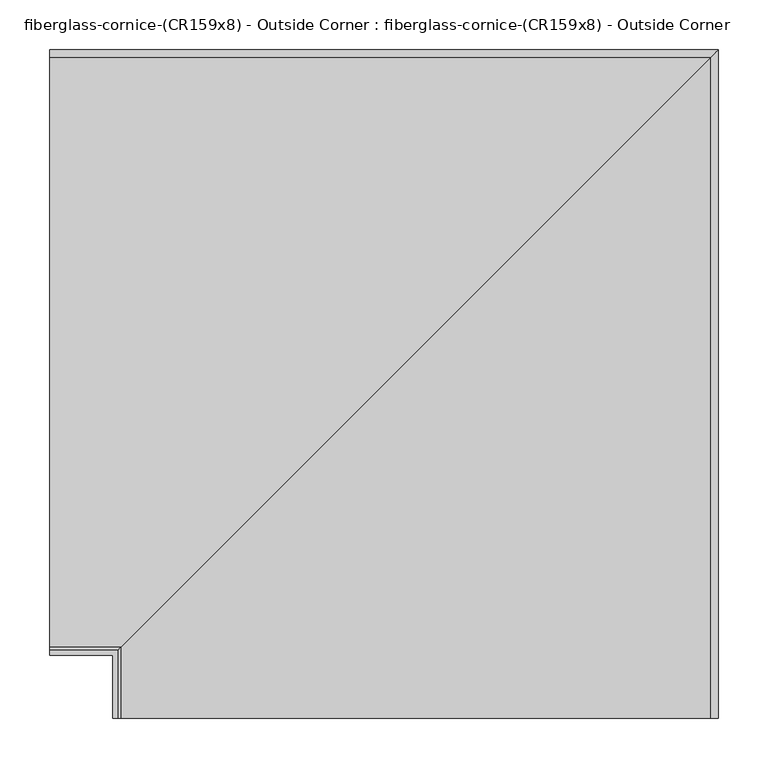
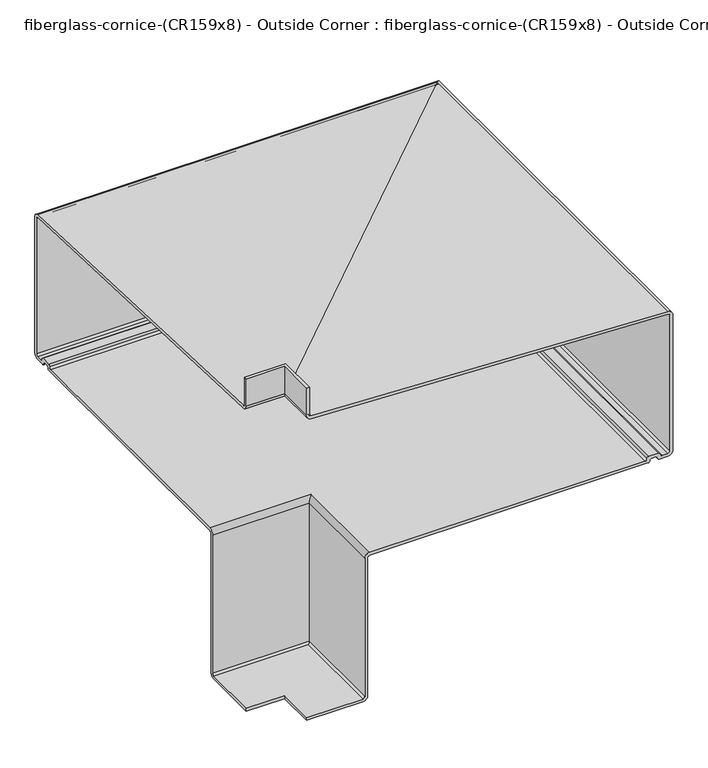
"""IFC4 building model written with IfcOpenShell, lengths in millimetres: furniture geometry, fiberglass-cornice-(CR159x8) - Outside Corner : fiberglass-cornice-(CR159x8) - Outside Corner."""

from ifc_helpers import new_model, si_unit, frame, origin, place, context, project, spatial, polyline, circle_curve, ellipse_curve, source, transform, mapped, element, save
from ifc_brep_helpers import plane_surface, cylinder_surface, revolved_surface, advanced_brep


def fiberglass_cornice_cr159x8_outside_corner_fiberglass_cornice_79ef5214(model_context):
    return source(origin(), model_context, "Body", "AdvancedBrep", [
        advanced_brep(
        [(-196.9488213, 106.3625, 330.1999904), (-196.9488213, 106.3625, 282.1175916), (-196.9488213, 109.405323, 279.0747686), (-196.9488213, 703.2553134, 254.331019), (-196.9488213, 711.2, 246.3863324), (-196.9488213, 711.2, 7.8336525), (-196.9488213, 703.2625, -0.1038475), (-196.9488213, 689.1705146, -0.1038475), (-196.9488213, 685.9955146, 3.0711535), (-196.9488213, 682.7914264, 6.2752427), (-196.9488213, 676.2973764, 6.2752427), (-196.9488213, 673.1223764, 3.0711543), (-196.9488213, 669.9473764, -0.1038451), (-196.9488213, 206.4982609, -0.1038475), (-196.9488213, 203.323261, -3.2788474), (-196.9488213, 203.323261, -246.1065844), (-196.9488213, 195.385761, -254.0440844), (-196.9488213, 101.6, -254.0440844), (-196.9488213, 101.6, -249.2815844), (-196.9488213, 195.385761, -249.2815844), (-196.9488213, 198.560761, -246.1065844), (-196.9488213, 198.560761, -3.2788451), (-196.9488213, 206.4982609, 4.6586549), (-196.9488213, 665.1848764, 4.6586549), (-196.9488213, 668.3598764, 7.8336543), (-196.9488213, 671.5348764, 11.0377427), (-196.9488213, 687.5539257, 11.0377427), (-196.9488213, 690.7580146, 7.8336539), (-196.9488213, 693.9330146, 4.6586538), (-196.9488213, 703.2625013, 4.6586538), (-196.9488213, 706.4375, 7.8336525), (-196.9488213, 706.4375, 246.3863324), (-196.9488213, 703.2596253, 249.564207), (-196.9488213, 109.2070576, 274.3163974), (-196.9488213, 101.6, 281.9234549), (-196.9488213, 101.6, 330.1999904), (-128.5871026, 38.0007813, 330.1999904), (-133.3496026, 38.0007813, 330.1999904), (-133.3496026, 38.0007813, 281.9234549), (-125.742545, 38.0007813, 274.3163974), (468.3100227, 38.0007813, 249.564207), (471.4878974, 38.0007813, 246.3863324), (471.4878974, 38.0007813, 7.8336525), (468.3128987, 38.0007813, 4.6586538), (458.983412, 38.0007813, 4.6586538), (455.808412, 38.0007813, 7.8336539), (452.6043231, 38.0007813, 11.0377427), (436.5852738, 38.0007813, 11.0377427), (433.4102738, 38.0007813, 7.8336543), (430.2352738, 38.0007813, 4.6586549), (-28.4513417, 38.0007813, 4.6586549), (-36.3888416, 38.0007813, -3.2788451), (-36.3888416, 38.0007813, -246.1065844), (-39.5638416, 38.0007813, -249.2815844), (-133.3496026, 38.0007813, -249.2815844), (-133.3496026, 38.0007813, -254.0440844), (-39.5638416, 38.0007813, -254.0440844), (-31.6263416, 38.0007813, -246.1065844), (-31.6263416, 38.0007813, -3.2788474), (-28.4513417, 38.0007813, -0.1038475), (434.9977738, 38.0007813, -0.1038475), (438.1727738, 38.0007813, 3.0711543), (441.3477738, 38.0007813, 6.2752427), (447.8418238, 38.0007813, 6.2752427), (451.045912, 38.0007813, 3.0711535), (454.220912, 38.0007813, -0.1038475), (468.3128974, 38.0007813, -0.1038475), (476.2503974, 38.0007813, 7.8336525), (476.2503974, 38.0007813, 246.3863324), (468.3057108, 38.0007813, 254.331019), (-125.5442796, 38.0007813, 279.0747686), (-128.5871026, 38.0007813, 282.1175916), (-128.5871026, 106.3625, 330.1999904), (-128.5871026, 106.3625, 282.1175916), (-125.5442796, 109.405323, 279.0747686), (468.3057108, 703.2553134, 254.331019), (476.2503974, 711.2, 246.3863324), (476.2503974, 711.2, 7.8336525), (468.3128974, 703.2625, -0.1038475), (454.220912, 689.1705146, -0.1038475), (451.045912, 685.9955146, 3.0711535), (447.8418238, 682.7914264, 6.2752427), (441.3477738, 676.2973764, 6.2752427), (438.1727738, 673.1223764, 3.0711543), (434.9977738, 669.9473764, -0.1038451), (-28.4513417, 206.4982609, -0.1038475), (-31.6263416, 203.323261, -3.2788474), (-31.6263416, 203.323261, -246.1065844), (-39.5638416, 195.385761, -254.0440844), (-133.3496026, 101.6, -254.0440844), (-133.3496026, 101.6, -249.2815844), (-39.5638416, 195.385761, -249.2815844), (-36.3888416, 198.560761, -246.1065844), (-36.3888416, 198.560761, -3.2788451), (-28.4513417, 206.4982609, 4.6586549), (430.2352738, 665.1848764, 4.6586549), (433.4102738, 668.3598764, 7.8336543), (436.5852738, 671.5348764, 11.0377427), (452.6043231, 687.5539257, 11.0377427), (455.808412, 690.7580146, 7.8336539), (458.983412, 693.9330146, 4.6586538), (468.3128987, 703.2625013, 4.6586538), (471.4878974, 706.4375, 7.8336525), (471.4878974, 706.4375, 246.3863324), (468.3100227, 703.2596253, 249.564207), (-125.742545, 109.2070576, 274.3163974), (-133.3496026, 101.6, 281.9234549), (-133.3496026, 101.6, 330.1999904)],
        [
            (0, 1),
            (1, 2, circle_curve(frame((-196.9488213, 109.405323, 282.1175916), z_axis=(1.0, 0.0, 0.0), x_axis=(0.0, 1.0, 0.0)), 3.042823)),
            (2, 3),
            (3, 4, circle_curve(frame((-196.9488213, 703.2553134, 246.3863324), z_axis=(-1.0, 0.0, 0.0), x_axis=(0.0, 1.0, 0.0)), 7.9446866)),
            (4, 5),
            (5, 6, circle_curve(frame((-196.9488213, 703.2625, 7.8336525), z_axis=(-1.0, 0.0, 0.0), x_axis=(0.0, 1.0, 0.0)), 7.9375)),
            (6, 7),
            (7, 8, circle_curve(frame((-196.9488213, 689.1705146, 3.0711525), z_axis=(-1.0, 0.0, 0.0), x_axis=(0.0, 1.0, 0.0)), 3.175)),
            (8, 9, circle_curve(frame((-196.9488213, 682.7914264, 3.0711545), z_axis=(1.0, 0.0, 0.0), x_axis=(0.0, 1.0, 0.0)), 3.2040882)),
            (9, 10),
            (10, 11, circle_curve(frame((-196.9488213, 676.2973764, 3.1001106), z_axis=(1.0, 0.0, 0.0), x_axis=(0.0, 1.0, 0.0)), 3.175132)),
            (11, 12, circle_curve(frame((-196.9488213, 669.9473764, 3.0711549), z_axis=(-1.0, 0.0, 0.0), x_axis=(0.0, 1.0, 0.0)), 3.175)),
            (12, 13),
            (13, 14, circle_curve(frame((-196.9488213, 206.4982609, -3.2788474), z_axis=(1.0, 0.0, 0.0), x_axis=(0.0, 1.0, 0.0)), 3.175)),
            (14, 15),
            (15, 16, circle_curve(frame((-196.9488213, 195.385761, -246.1065844), z_axis=(-1.0, 0.0, 0.0), x_axis=(0.0, 1.0, 0.0)), 7.9375)),
            (16, 17),
            (17, 18),
            (18, 19),
            (19, 20, circle_curve(frame((-196.9488213, 195.385761, -246.1065844), z_axis=(1.0, 0.0, 0.0), x_axis=(0.0, 1.0, 0.0)), 3.175)),
            (20, 21),
            (21, 22, circle_curve(frame((-196.9488213, 206.4982609, -3.2788451), z_axis=(-1.0, 0.0, 0.0), x_axis=(0.0, 1.0, 0.0)), 7.9374999)),
            (22, 23),
            (23, 24, circle_curve(frame((-196.9488213, 665.1848764, 7.8336549), z_axis=(1.0, 0.0, 0.0), x_axis=(0.0, 1.0, 0.0)), 3.175)),
            (24, 25, circle_curve(frame((-196.9488213, 671.5348764, 7.8626107), z_axis=(-1.0, 0.0, 0.0), x_axis=(0.0, 1.0, 0.0)), 3.175132)),
            (25, 26),
            (26, 27, circle_curve(frame((-196.9488213, 687.5539257, 7.8336539), z_axis=(-1.0, 0.0, 0.0), x_axis=(0.0, 1.0, 0.0)), 3.2040888)),
            (27, 28, circle_curve(frame((-196.9488213, 693.9330146, 7.8336538), z_axis=(1.0, 0.0, 0.0), x_axis=(0.0, 1.0, 0.0)), 3.175)),
            (28, 29),
            (29, 30, circle_curve(frame((-196.9488213, 703.2625013, 7.8336525), z_axis=(1.0, 0.0, 0.0), x_axis=(0.0, 1.0, 0.0)), 3.1749987)),
            (30, 31),
            (31, 32, circle_curve(frame((-196.9488213, 703.2596253, 246.3863324), z_axis=(1.0, 0.0, 0.0), x_axis=(0.0, 1.0, 0.0)), 3.1778747)),
            (32, 33),
            (33, 34, circle_curve(frame((-196.9488213, 109.2070576, 281.9234549), z_axis=(-1.0, 0.0, 0.0), x_axis=(0.0, 1.0, 0.0)), 7.6070576)),
            (34, 35),
            (35, 0),
            (36, 37),
            (37, 38),
            (38, 39, circle_curve(frame((-125.742545, 38.0007813, 281.9234549), z_axis=(0.0, -1.0, 0.0), x_axis=(1.0, 0.0, 0.0)), 7.6070576)),
            (39, 40),
            (40, 41, circle_curve(frame((468.3100227, 38.0007813, 246.3863324), z_axis=(0.0, 1.0, 0.0), x_axis=(1.0, 0.0, 0.0)), 3.1778747)),
            (41, 42),
            (42, 43, circle_curve(frame((468.3128987, 38.0007813, 7.8336525), z_axis=(0.0, 1.0, 0.0), x_axis=(1.0, 0.0, 0.0)), 3.1749987)),
            (43, 44),
            (44, 45, circle_curve(frame((458.983412, 38.0007813, 7.8336538), z_axis=(0.0, 1.0, 0.0), x_axis=(1.0, 0.0, 0.0)), 3.175)),
            (45, 46, circle_curve(frame((452.6043231, 38.0007813, 7.8336539), z_axis=(0.0, -1.0, 0.0), x_axis=(1.0, 0.0, 0.0)), 3.2040888)),
            (46, 47),
            (47, 48, circle_curve(frame((436.5852738, 38.0007813, 7.8626107), z_axis=(0.0, -1.0, 0.0), x_axis=(1.0, 0.0, 0.0)), 3.175132)),
            (48, 49, circle_curve(frame((430.2352738, 38.0007813, 7.8336549), z_axis=(0.0, 1.0, 0.0), x_axis=(1.0, 0.0, 0.0)), 3.175)),
            (49, 50),
            (50, 51, circle_curve(frame((-28.4513417, 38.0007813, -3.2788451), z_axis=(0.0, -1.0, 0.0), x_axis=(1.0, 0.0, 0.0)), 7.9374999)),
            (51, 52),
            (52, 53, circle_curve(frame((-39.5638416, 38.0007813, -246.1065844), z_axis=(0.0, 1.0, 0.0), x_axis=(1.0, 0.0, 0.0)), 3.175)),
            (53, 54),
            (54, 55),
            (55, 56),
            (56, 57, circle_curve(frame((-39.5638416, 38.0007813, -246.1065844), z_axis=(0.0, -1.0, 0.0), x_axis=(1.0, 0.0, 0.0)), 7.9375)),
            (57, 58),
            (58, 59, circle_curve(frame((-28.4513417, 38.0007813, -3.2788474), z_axis=(0.0, 1.0, 0.0), x_axis=(1.0, 0.0, 0.0)), 3.175)),
            (59, 60),
            (60, 61, circle_curve(frame((434.9977738, 38.0007813, 3.0711549), z_axis=(0.0, -1.0, 0.0), x_axis=(1.0, 0.0, 0.0)), 3.175)),
            (61, 62, circle_curve(frame((441.3477738, 38.0007813, 3.1001106), z_axis=(0.0, 1.0, 0.0), x_axis=(1.0, 0.0, 0.0)), 3.175132)),
            (62, 63),
            (63, 64, circle_curve(frame((447.8418238, 38.0007813, 3.0711545), z_axis=(0.0, 1.0, 0.0), x_axis=(1.0, 0.0, 0.0)), 3.2040882)),
            (64, 65, circle_curve(frame((454.220912, 38.0007813, 3.0711525), z_axis=(0.0, -1.0, 0.0), x_axis=(1.0, 0.0, 0.0)), 3.175)),
            (65, 66),
            (66, 67, circle_curve(frame((468.3128974, 38.0007813, 7.8336525), z_axis=(0.0, -1.0, 0.0), x_axis=(1.0, 0.0, 0.0)), 7.9375)),
            (67, 68),
            (68, 69, circle_curve(frame((468.3057108, 38.0007813, 246.3863324), z_axis=(0.0, -1.0, 0.0), x_axis=(1.0, 0.0, 0.0)), 7.9446866)),
            (69, 70),
            (70, 71, circle_curve(frame((-125.5442796, 38.0007813, 282.1175916), z_axis=(0.0, 1.0, 0.0), x_axis=(1.0, 0.0, 0.0)), 3.042823)),
            (71, 36),
            (0, 72),
            (72, 73),
            (73, 1),
            (73, 74, ellipse_curve(frame((-125.5442796, 109.405323, 282.1175916), z_axis=(0.7071067811865563, -0.7071067811865387, 0.0), x_axis=(0.7071067811865387, 0.7071067811865565, 0.0)), 4.3032016, 3.042823)),
            (74, 2),
            (74, 75),
            (75, 3),
            (75, 76, ellipse_curve(frame((468.3057108, 703.2553134, 246.3863324), z_axis=(-0.7071067811865563, 0.7071067811865387, 0.0), x_axis=(-0.7071067811865387, -0.7071067811865565, 0.0)), 11.2354836, 7.9446866)),
            (76, 4),
            (76, 77),
            (77, 5),
            (77, 78, ellipse_curve(frame((468.3128974, 703.2625, 7.8336525), z_axis=(-0.7071067811865563, 0.7071067811865387, 0.0), x_axis=(-0.7071067811865387, -0.7071067811865565, 0.0)), 11.2253202, 7.9375)),
            (78, 6),
            (78, 66),
            (65, 79),
            (79, 7),
            (79, 80, ellipse_curve(frame((454.220912, 689.1705146, 3.0711525), z_axis=(-0.7071067811865563, 0.7071067811865387, 0.0), x_axis=(-0.7071067811865387, -0.7071067811865565, 0.0)), 4.4901281, 3.175)),
            (80, 8),
            (80, 81, ellipse_curve(frame((447.8418238, 682.7914264, 3.0711545), z_axis=(0.7071067811865563, -0.7071067811865387, 0.0), x_axis=(0.7071067811865387, 0.7071067811865565, 0.0)), 4.531265, 3.2040882)),
            (81, 9),
            (81, 63),
            (62, 82),
            (82, 10),
            (82, 83, ellipse_curve(frame((441.3477738, 676.2973764, 3.1001106), z_axis=(0.7071067811865563, -0.7071067811865387, 0.0), x_axis=(0.7071067811865387, 0.7071067811865565, 0.0)), 4.4903148, 3.175132)),
            (83, 11),
            (83, 84, ellipse_curve(frame((434.9977738, 669.9473764, 3.0711549), z_axis=(-0.7071067811865563, 0.7071067811865387, 0.0), x_axis=(-0.7071067811865387, -0.7071067811865565, 0.0)), 4.4901281, 3.175)),
            (84, 12),
            (84, 60),
            (59, 85),
            (85, 13),
            (85, 86, ellipse_curve(frame((-28.4513417, 206.4982609, -3.2788474), z_axis=(0.7071067811865563, -0.7071067811865387, 0.0), x_axis=(0.7071067811865387, 0.7071067811865565, 0.0)), 4.490128, 3.175)),
            (86, 14),
            (86, 87),
            (87, 15),
            (87, 88, ellipse_curve(frame((-39.5638416, 195.385761, -246.1065844), z_axis=(-0.7071067811865563, 0.7071067811865387, 0.0), x_axis=(-0.7071067811865387, -0.7071067811865565, 0.0)), 11.2253202, 7.9375)),
            (88, 16),
            (88, 56),
            (55, 89),
            (89, 17),
            (89, 90),
            (90, 18),
            (90, 54),
            (53, 91),
            (91, 19),
            (91, 92, ellipse_curve(frame((-39.5638416, 195.385761, -246.1065844), z_axis=(0.7071067811865563, -0.7071067811865387, 0.0), x_axis=(0.7071067811865387, 0.7071067811865565, 0.0)), 4.4901281, 3.175)),
            (92, 20),
            (92, 93),
            (93, 21),
            (93, 94, ellipse_curve(frame((-28.4513417, 206.4982609, -3.2788451), z_axis=(-0.7071067811865563, 0.7071067811865387, 0.0), x_axis=(-0.7071067811865387, -0.7071067811865565, 0.0)), 11.2253201, 7.9374999)),
            (94, 22),
            (94, 50),
            (49, 95),
            (95, 23),
            (95, 96, ellipse_curve(frame((430.2352738, 665.1848764, 7.8336549), z_axis=(0.7071067811865563, -0.7071067811865387, 0.0), x_axis=(0.7071067811865387, 0.7071067811865565, 0.0)), 4.4901281, 3.175)),
            (96, 24),
            (96, 97, ellipse_curve(frame((436.5852738, 671.5348764, 7.8626107), z_axis=(-0.7071067811865563, 0.7071067811865387, 0.0), x_axis=(-0.7071067811865387, -0.7071067811865565, 0.0)), 4.4903148, 3.175132)),
            (97, 25),
            (97, 47),
            (46, 98),
            (98, 26),
            (98, 99, ellipse_curve(frame((452.6043231, 687.5539257, 7.8336539), z_axis=(-0.7071067811865563, 0.7071067811865387, 0.0), x_axis=(-0.7071067811865387, -0.7071067811865565, 0.0)), 4.5312659, 3.2040888)),
            (99, 27),
            (99, 100, ellipse_curve(frame((458.983412, 693.9330146, 7.8336538), z_axis=(0.7071067811865563, -0.7071067811865387, 0.0), x_axis=(0.7071067811865387, 0.7071067811865565, 0.0)), 4.4901281, 3.175)),
            (100, 28),
            (100, 44),
            (43, 101),
            (101, 29),
            (101, 102, ellipse_curve(frame((468.3128987, 703.2625013, 7.8336525), z_axis=(0.7071067811865563, -0.7071067811865387, 0.0), x_axis=(0.7071067811865387, 0.7071067811865565, 0.0)), 4.4901262, 3.1749987)),
            (102, 30),
            (102, 103),
            (103, 31),
            (103, 104, ellipse_curve(frame((468.3100227, 703.2596253, 246.3863324), z_axis=(0.7071067811865563, -0.7071067811865387, 0.0), x_axis=(0.7071067811865387, 0.7071067811865565, 0.0)), 4.4941934, 3.1778747)),
            (104, 32),
            (104, 105),
            (105, 33),
            (105, 106, ellipse_curve(frame((-125.742545, 109.2070576, 281.9234549), z_axis=(-0.7071067811865563, 0.7071067811865387, 0.0), x_axis=(-0.7071067811865387, -0.7071067811865565, 0.0)), 10.758004, 7.6070576)),
            (106, 34),
            (106, 107),
            (107, 35),
            (107, 37),
            (36, 72),
            (71, 73),
            (70, 74),
            (69, 75),
            (68, 76),
            (67, 77),
            (64, 80),
            (61, 83),
            (58, 86),
            (57, 87),
            (52, 92),
            (51, 93),
            (48, 96),
            (45, 99),
            (42, 102),
            (41, 103),
            (40, 104),
            (39, 105),
            (38, 106),
        ],
        [
            plane_surface(frame((-196.9488213, 101.6, 330.1999904), z_axis=(-1.0, 0.0, 0.0), x_axis=(0.0, 0.0, 1.0))),
            plane_surface(frame((-133.3496026, 38.0007813, 330.1999904), z_axis=(0.0, -1.0, 0.0), x_axis=(0.0, 0.0, 1.0))),
            plane_surface(frame((-196.9488213, 106.3625, 330.1999904), z_axis=(0.0, 1.0, 0.0), x_axis=(1.0, 0.0, 0.0))),
            revolved_surface(polyline([(-122.50145656782723, 112.448146, 282.1175916), (-196.9488213, 112.448146, 282.1175916)]), (-196.9488213, 109.405323, 282.1175916), (1.0, 0.0, 0.0)),
            plane_surface(frame((-196.9488213, 109.405323, 279.0747686), z_axis=(0.0, 0.041630544712183803, 0.9991330730923519), x_axis=(1.0, 0.0, 0.0))),
            cylinder_surface(frame((-196.9488213, 703.2553134, 246.3863324), z_axis=(-1.0, 0.0, 0.0), x_axis=(0.0, 1.0, 0.0)), 7.9446866),
            plane_surface(frame((-196.9488213, 711.2, 246.3863324), z_axis=(0.0, 1.0, 0.0), x_axis=(1.0, 0.0, 0.0))),
            cylinder_surface(frame((-196.9488213, 703.2625, 7.8336525), z_axis=(-1.0, 0.0, 0.0), x_axis=(0.0, 1.0, 0.0)), 7.9375),
            plane_surface(frame((-196.9488213, 703.2625, -0.1038475), z_axis=(0.0, 0.0, -1.0), x_axis=(1.0, 0.0, 0.0))),
            cylinder_surface(frame((-196.9488213, 689.1705146, 3.0711525), z_axis=(-1.0, 0.0, 0.0), x_axis=(0.0, 1.0, 0.0)), 3.175),
            revolved_surface(polyline([(451.0459120088533, 685.9955146, 3.0711545), (-196.9488213, 685.9955146, 3.0711545)]), (-196.9488213, 682.7914264, 3.0711545), (1.0, 0.0, 0.0)),
            plane_surface(frame((-196.9488213, 682.7914264, 6.2752427), z_axis=(0.0, 0.0, -1.0), x_axis=(1.0, 0.0, 0.0))),
            revolved_surface(polyline([(444.52290584474235, 679.4725083999999, 3.1001106), (-196.9488213, 679.4725083999999, 3.1001106)]), (-196.9488213, 676.2973764, 3.1001106), (1.0, 0.0, 0.0)),
            cylinder_surface(frame((-196.9488213, 669.9473764, 3.0711549), z_axis=(-1.0, 0.0, 0.0), x_axis=(0.0, 1.0, 0.0)), 3.175),
            plane_surface(frame((-196.9488213, 669.9473764, -0.1038475), z_axis=(0.0, 0.0, -1.0), x_axis=(1.0, 0.0, 0.0))),
            revolved_surface(polyline([(-25.276341742804448, 209.6732609, -3.2788474), (-196.9488213, 209.6732609, -3.2788474)]), (-196.9488213, 206.4982609, -3.2788474), (1.0, 0.0, 0.0)),
            plane_surface(frame((-196.9488213, 203.323261, -3.2788474), z_axis=(0.0, 1.0, 0.0), x_axis=(1.0, 0.0, 0.0))),
            cylinder_surface(frame((-196.9488213, 195.385761, -246.1065844), z_axis=(-1.0, 0.0, 0.0), x_axis=(0.0, 1.0, 0.0)), 7.9375),
            plane_surface(frame((-196.9488213, 195.385761, -254.0440844), z_axis=(0.0, 0.0, -1.0), x_axis=(1.0, 0.0, 0.0))),
            plane_surface(frame((-196.9488213, 101.6, -254.0440844), z_axis=(0.0, -1.0, 0.0), x_axis=(1.0, 0.0, 0.0))),
            plane_surface(frame((-196.9488213, 101.6, -249.2815844), z_axis=(0.0, 0.0, 1.0), x_axis=(1.0, 0.0, 0.0))),
            revolved_surface(polyline([(-36.38884157209378, 198.560761, -246.1065844), (-196.9488213, 198.560761, -246.1065844)]), (-196.9488213, 195.385761, -246.1065844), (1.0, 0.0, 0.0)),
            plane_surface(frame((-196.9488213, 198.560761, -246.1065844), z_axis=(0.0, -1.0, 0.0), x_axis=(1.0, 0.0, 0.0))),
            cylinder_surface(frame((-196.9488213, 206.4982609, -3.2788451), z_axis=(-1.0, 0.0, 0.0), x_axis=(0.0, 1.0, 0.0)), 7.9374999),
            plane_surface(frame((-196.9488213, 206.4982609, 4.6586549), z_axis=(0.0, 0.0, 1.0), x_axis=(1.0, 0.0, 0.0))),
            revolved_surface(polyline([(433.4102738279063, 668.3598764, 7.8336549), (-196.9488213, 668.3598764, 7.8336549)]), (-196.9488213, 665.1848764, 7.8336549), (1.0, 0.0, 0.0)),
            cylinder_surface(frame((-196.9488213, 671.5348764, 7.8626107), z_axis=(-1.0, 0.0, 0.0), x_axis=(0.0, 1.0, 0.0)), 3.175132),
            plane_surface(frame((-196.9488213, 671.5348764, 11.0377427), z_axis=(0.0, 0.0, 1.0), x_axis=(1.0, 0.0, 0.0))),
            cylinder_surface(frame((-196.9488213, 687.5539257, 7.8336539), z_axis=(-1.0, 0.0, 0.0), x_axis=(0.0, 1.0, 0.0)), 3.2040888),
            revolved_surface(polyline([(462.15841202790625, 697.1080145999999, 7.8336538), (-196.9488213, 697.1080145999999, 7.8336538)]), (-196.9488213, 693.9330146, 7.8336538), (1.0, 0.0, 0.0)),
            plane_surface(frame((-196.9488213, 693.9330146, 4.6586538), z_axis=(0.0, 0.0, 1.0), x_axis=(1.0, 0.0, 0.0))),
            revolved_surface(polyline([(471.48789740000007, 706.4375, 7.8336525), (-196.9488213, 706.4375, 7.8336525)]), (-196.9488213, 703.2625013, 7.8336525), (1.0, 0.0, 0.0)),
            plane_surface(frame((-196.9488213, 706.4375, 7.8336525), z_axis=(0.0, -1.0, 0.0), x_axis=(1.0, 0.0, 0.0))),
            revolved_surface(polyline([(471.48789740000007, 706.4375, 246.3863324), (-196.9488213, 706.4375, 246.3863324)]), (-196.9488213, 703.2596253, 246.3863324), (1.0, 0.0, 0.0)),
            plane_surface(frame((-196.9488213, 703.2596253, 249.564207), z_axis=(0.0, -0.04163054471218209, -0.9991330730923519), x_axis=(1.0, 0.0, 0.0))),
            cylinder_surface(frame((-196.9488213, 109.2070576, 281.9234549), z_axis=(-1.0, 0.0, 0.0), x_axis=(0.0, 1.0, 0.0)), 7.6070576),
            plane_surface(frame((-196.9488213, 101.6, 281.9234549), z_axis=(0.0, -1.0, 0.0), x_axis=(1.0, 0.0, 0.0))),
            plane_surface(frame((-196.9488213, 101.6, 330.1999904), z_axis=(0.0, 0.0, 1.0), x_axis=(1.0, 0.0, 0.0))),
            plane_surface(frame((-128.5871026, 106.3625, 330.1999904), z_axis=(1.0, 0.0, 0.0), x_axis=(0.0, -1.0, 0.0))),
            revolved_surface(polyline([(-122.5014566, 38.0007813, 282.1175916), (-122.5014566, 112.44814603217284, 282.1175916)]), (-125.5442796, 101.6, 282.1175916), (0.0, -1.0, 0.0)),
            plane_surface(frame((-125.5442796, 109.405323, 279.0747686), z_axis=(0.04163054471218381, 0.0, 0.9991330730923519), x_axis=(0.0, -1.0, 0.0))),
            cylinder_surface(frame((468.3057108, 101.6, 246.3863324), z_axis=(0.0, 1.0, 0.0), x_axis=(1.0, 0.0, 0.0)), 7.9446866),
            plane_surface(frame((476.2503974, 711.2, 246.3863324), z_axis=(1.0, 0.0, 0.0), x_axis=(0.0, -1.0, 0.0))),
            cylinder_surface(frame((468.3128974, 101.6, 7.8336525), z_axis=(0.0, 1.0, 0.0), x_axis=(1.0, 0.0, 0.0)), 7.9375),
            cylinder_surface(frame((454.220912, 101.6, 3.0711525), z_axis=(0.0, 1.0, 0.0), x_axis=(1.0, 0.0, 0.0)), 3.175),
            revolved_surface(polyline([(451.045912, 38.0007813, 3.0711545), (451.045912, 685.9955146088532, 3.0711545)]), (447.8418238, 101.6, 3.0711545), (0.0, -1.0, 0.0)),
            revolved_surface(polyline([(444.52290580000005, 38.0007813, 3.1001106), (444.52290580000005, 679.4725084447423, 3.1001106)]), (441.3477738, 101.6, 3.1001106), (0.0, -1.0, 0.0)),
            cylinder_surface(frame((434.9977738, 101.6, 3.0711549), z_axis=(0.0, 1.0, 0.0), x_axis=(1.0, 0.0, 0.0)), 3.175),
            revolved_surface(polyline([(-25.2763417, 38.0007813, -3.2788474), (-25.2763417, 209.6732608571956, -3.2788474)]), (-28.4513417, 101.6, -3.2788474), (0.0, -1.0, 0.0)),
            plane_surface(frame((-31.6263416, 203.323261, -3.2788474), z_axis=(1.0, 0.0, 0.0), x_axis=(0.0, -1.0, 0.0))),
            cylinder_surface(frame((-39.5638416, 101.6, -246.1065844), z_axis=(0.0, 1.0, 0.0), x_axis=(1.0, 0.0, 0.0)), 7.9375),
            plane_surface(frame((-133.3496026, 101.6, -254.0440844), z_axis=(-1.0, 0.0, 0.0), x_axis=(0.0, -1.0, 0.0))),
            revolved_surface(polyline([(-36.388841600000006, 38.0007813, -246.1065844), (-36.388841600000006, 198.56076102790632, -246.1065844)]), (-39.5638416, 101.6, -246.1065844), (0.0, -1.0, 0.0)),
            plane_surface(frame((-36.3888416, 198.560761, -246.1065844), z_axis=(-1.0, 0.0, 0.0), x_axis=(0.0, -1.0, 0.0))),
            cylinder_surface(frame((-28.4513417, 101.6, -3.2788451), z_axis=(0.0, 1.0, 0.0), x_axis=(1.0, 0.0, 0.0)), 7.9374999),
            revolved_surface(polyline([(433.4102738, 38.0007813, 7.8336549), (433.4102738, 668.3598764279063, 7.8336549)]), (430.2352738, 101.6, 7.8336549), (0.0, -1.0, 0.0)),
            cylinder_surface(frame((436.5852738, 101.6, 7.8626107), z_axis=(0.0, 1.0, 0.0), x_axis=(1.0, 0.0, 0.0)), 3.175132),
            cylinder_surface(frame((452.6043231, 101.6, 7.8336539), z_axis=(0.0, 1.0, 0.0), x_axis=(1.0, 0.0, 0.0)), 3.2040888),
            revolved_surface(polyline([(462.158412, 38.0007813, 7.8336538), (462.158412, 697.1080146279063, 7.8336538)]), (458.983412, 101.6, 7.8336538), (0.0, -1.0, 0.0)),
            revolved_surface(polyline([(471.4878974, 38.0007813, 7.8336525), (471.4878974, 706.4375, 7.8336525)]), (468.3128987, 101.6, 7.8336525), (0.0, -1.0, 0.0)),
            plane_surface(frame((471.4878974, 706.4375, 7.8336525), z_axis=(-1.0, 0.0, 0.0), x_axis=(0.0, -1.0, 0.0))),
            revolved_surface(polyline([(471.4878974, 38.0007813, 246.3863324), (471.4878974, 706.4375, 246.3863324)]), (468.3100227, 101.6, 246.3863324), (0.0, -1.0, 0.0)),
            plane_surface(frame((468.3100227, 703.2596253, 249.564207), z_axis=(-0.041630544712182097, 0.0, -0.9991330730923519), x_axis=(0.0, -1.0, 0.0))),
            cylinder_surface(frame((-125.742545, 101.6, 281.9234549), z_axis=(0.0, 1.0, 0.0), x_axis=(1.0, 0.0, 0.0)), 7.6070576),
            plane_surface(frame((-133.3496026, 101.6, 281.9234549), z_axis=(-1.0, 0.0, 0.0), x_axis=(0.0, -1.0, 0.0))),
        ],
        [
            (0, [[1, 2, 3, 4, 5, 6, 7, 8, 9, 10, 11, 12, 13, 14, 15, 16, 17, 18, 19, 20, 21, 22, 23, 24, 25, 26, 27, 28, 29, 30, 31, 32, 33, 34, 35, 36]]),
            (1, [[37, 38, 39, 40, 41, 42, 43, 44, 45, 46, 47, 48, 49, 50, 51, 52, 53, 54, 55, 56, 57, 58, 59, 60, 61, 62, 63, 64, 65, 66, 67, 68, 69, 70, 71, 72]]),
            (2, [[-1, 73, 74, 75]]),
            (3, [[-2, -75, 76, 77]]),
            (4, [[-3, -77, 78, 79]]),
            (5, [[-4, -79, 80, 81]]),
            (6, [[-5, -81, 82, 83]]),
            (7, [[-6, -83, 84, 85]]),
            (8, [[-7, -85, 86, -66, 87, 88]]),
            (9, [[-8, -88, 89, 90]]),
            (10, [[-9, -90, 91, 92]]),
            (11, [[-10, -92, 93, -63, 94, 95]]),
            (12, [[-11, -95, 96, 97]]),
            (13, [[-12, -97, 98, 99]]),
            (14, [[-13, -99, 100, -60, 101, 102]]),
            (15, [[-14, -102, 103, 104]]),
            (16, [[-15, -104, 105, 106]]),
            (17, [[-16, -106, 107, 108]]),
            (18, [[-17, -108, 109, -56, 110, 111]]),
            (19, [[-18, -111, 112, 113]]),
            (20, [[-19, -113, 114, -54, 115, 116]]),
            (21, [[-20, -116, 117, 118]]),
            (22, [[-21, -118, 119, 120]]),
            (23, [[-22, -120, 121, 122]]),
            (24, [[-23, -122, 123, -50, 124, 125]]),
            (25, [[-24, -125, 126, 127]]),
            (26, [[-25, -127, 128, 129]]),
            (27, [[-26, -129, 130, -47, 131, 132]]),
            (28, [[-27, -132, 133, 134]]),
            (29, [[-28, -134, 135, 136]]),
            (30, [[-29, -136, 137, -44, 138, 139]]),
            (31, [[-30, -139, 140, 141]]),
            (32, [[-31, -141, 142, 143]]),
            (33, [[-32, -143, 144, 145]]),
            (34, [[-33, -145, 146, 147]]),
            (35, [[-34, -147, 148, 149]]),
            (36, [[-35, -149, 150, 151]]),
            (37, [[-36, -151, 152, -37, 153, -73]]),
            (38, [[-74, -153, -72, 154]]),
            (39, [[-76, -154, -71, 155]]),
            (40, [[-78, -155, -70, 156]]),
            (41, [[-80, -156, -69, 157]]),
            (42, [[-82, -157, -68, 158]]),
            (43, [[-84, -158, -67, -86]]),
            (44, [[-89, -87, -65, 159]]),
            (45, [[-91, -159, -64, -93]]),
            (46, [[-96, -94, -62, 160]]),
            (47, [[-98, -160, -61, -100]]),
            (48, [[-103, -101, -59, 161]]),
            (49, [[-105, -161, -58, 162]]),
            (50, [[-107, -162, -57, -109]]),
            (51, [[-112, -110, -55, -114]]),
            (52, [[-117, -115, -53, 163]]),
            (53, [[-119, -163, -52, 164]]),
            (54, [[-121, -164, -51, -123]]),
            (55, [[-126, -124, -49, 165]]),
            (56, [[-128, -165, -48, -130]]),
            (57, [[-133, -131, -46, 166]]),
            (58, [[-135, -166, -45, -137]]),
            (59, [[-140, -138, -43, 167]]),
            (60, [[-142, -167, -42, 168]]),
            (61, [[-144, -168, -41, 169]]),
            (62, [[-146, -169, -40, 170]]),
            (63, [[-148, -170, -39, 171]]),
            (64, [[-150, -171, -38, -152]]),
        ],
    ),
    ])


if __name__ == "__main__":
    model = new_model("IFC4")
    model_context = context("Model", 3, world=origin())
    ifc_project = project(units=[si_unit("LENGTHUNIT", "METRE", prefix="MILLI")], contexts=[model_context])
    site = spatial("IfcSite", under=ifc_project)
    building = spatial("IfcBuilding", under=site)
    placement = place(None, origin())
    fiberglass_cornice_cr159x8_outside_corner_fiberglass_cornice_shape = fiberglass_cornice_cr159x8_outside_corner_fiberglass_cornice_79ef5214(model_context)
    element("IfcFurniture", 1, ObjectType="fiberglass-cornice-(CR159x8) - Outside Corner : fiberglass-cornice-(CR159x8) - Outside Corner", at=placement, inside=building, context=model_context, shape_type="MappedRepresentation", body=[
        mapped(fiberglass_cornice_cr159x8_outside_corner_fiberglass_cornice_shape, transform((0.0, 0.0, 0.0), x_axis=(1.0, 0.0, 0.0), y_axis=(0.0, 1.0, 0.0), z_axis=(0.0, 0.0, 1.0))),
    ])
    save(model, "model.ifc")
